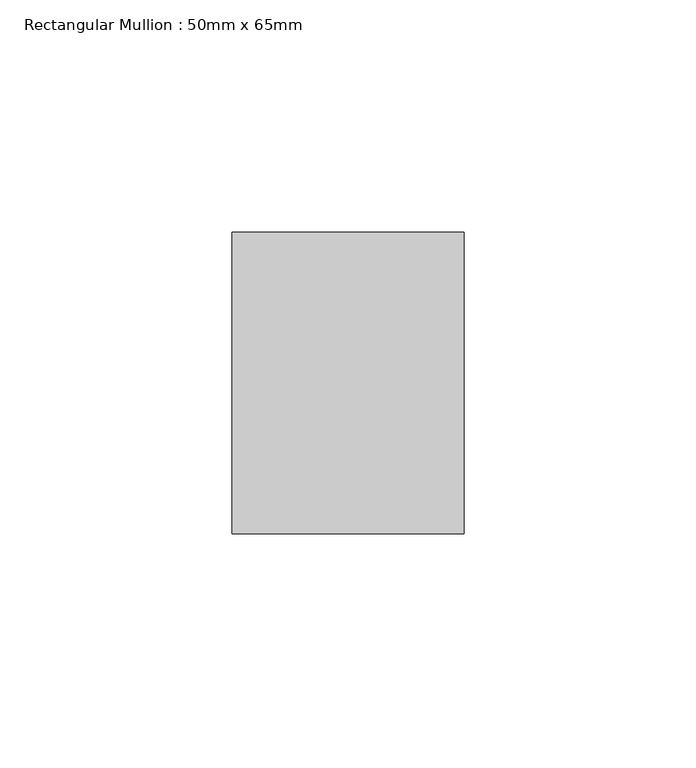
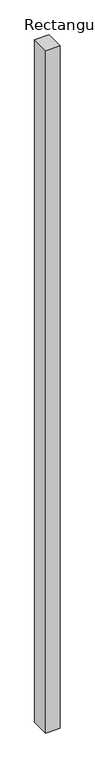
"""IFC4 building model written with IfcOpenShell, lengths in millimetres: member geometry, Rectangular Mullion : 50mm x 65mm."""

from ifc_helpers import new_model, si_unit, frame, origin, place, context, project, spatial, polyline, outline, extrude, source, transform, mapped, element, save


def rectangular_mullion_50mm_x_65mm_3ec1dd40(model_context):
    return source(origin(), model_context, "Body", "SweptSolid", [
        extrude(outline(polyline([(25.0, 32.5), (25.0, -32.5), (-25.0, -32.5), (-25.0, 32.5), (25.0, 32.5)])), frame((0.0, 0.0, -2478.0258833), z_axis=(0.0, 0.0, 1.0), x_axis=(1.0, 0.0, 0.0)), (0.0, 0.0, 1.0), 2478.0258833),
    ])


if __name__ == "__main__":
    model = new_model("IFC4")
    model_context = context("Model", 3, world=origin())
    ifc_project = project(units=[si_unit("LENGTHUNIT", "METRE", prefix="MILLI")], contexts=[model_context])
    site = spatial("IfcSite", under=ifc_project)
    building = spatial("IfcBuilding", under=site)
    placement = place(None, origin())
    rectangular_mullion_50mm_x_65mm_shape = rectangular_mullion_50mm_x_65mm_3ec1dd40(model_context)
    element("IfcMember", 1, ObjectType="Rectangular Mullion : 50mm x 65mm", at=placement, inside=building, context=model_context, shape_type="MappedRepresentation", body=[
        mapped(rectangular_mullion_50mm_x_65mm_shape, transform((0.0, 0.0, 0.0), x_axis=(1.0, 0.0, 0.0), y_axis=(0.0, 1.0, 0.0), z_axis=(0.0, 0.0, 1.0))),
    ])
    save(model, "model.ifc")
